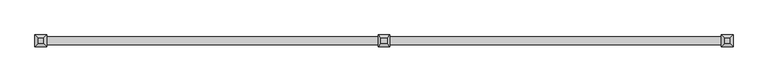
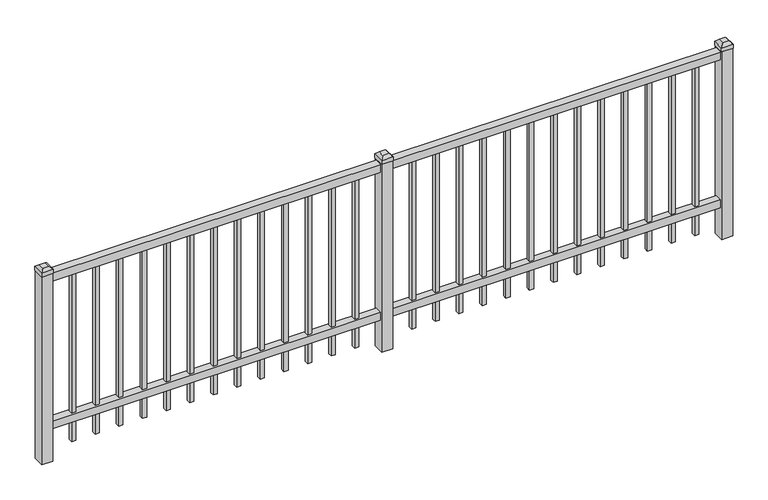
"""IFC4 building model written with IfcOpenShell, lengths in millimetres: railing geometry."""

import ifcopenshell
import ifcopenshell.guid

model = None  # the IFC model being written
_history = None  # IfcOwnerHistory: only IFC2X3 demands one
_inside = {}  # id of a spatial element -> (the spatial element, [elements in it])
_under = {}  # id of a project, library or spatial element -> (it, [spatial elements below it])
_declared = {}  # id of a project -> (the project, [libraries it declares])
_typed = {}  # id of a type object -> (the type object, [elements of that type])
_made_of = {}  # id of a material, layer set ... -> (it, [elements and type objects made of it])


def new_model(schema):
    """Start an empty IFC model of exactly this schema.

    Asked for "IFC4X3", IfcOpenShell would pick the latest addendum, in which some entities
    have other attributes; the version numbers below select the first issue.
    IFC2X3 requires an IfcOwnerHistory on every rooted entity: one is made here for all.
    """
    global model, _history
    if schema == "IFC4X3":
        model = ifcopenshell.file(schema_version=(4, 3, 0, 0))
    else:
        model = ifcopenshell.file(schema=schema)
    _inside.clear()
    _under.clear()
    _declared.clear()
    _typed.clear()
    _made_of.clear()
    _history = None
    if model.schema == "IFC2X3":
        org = make("IfcOrganization", Name="unknown")
        user = make(
            "IfcPersonAndOrganization",
            ThePerson=make("IfcPerson", FamilyName="unknown"),
            TheOrganization=org,
        )
        app = make(
            "IfcApplication",
            ApplicationDeveloper=org,
            Version="unknown",
            ApplicationFullName="unknown",
            ApplicationIdentifier="unknown",
        )
        _history = make(
            "IfcOwnerHistory",
            OwningUser=user,
            OwningApplication=app,
            ChangeAction="ADDED",
            CreationDate=0,
        )
    return model


def make(cls, **values):
    """One entity of the class cls with the attributes given. An attribute that is None is left unset."""
    return model.create_entity(
        cls, **{name: value for name, value in values.items() if value is not None}
    )


def rooted(cls, **values):
    """An entity with a GlobalId (a new one), such as an element, a storey or a relation."""
    return make(cls, GlobalId=ifcopenshell.guid.new(), OwnerHistory=_history, **values)


def si_unit(unit_type, name, prefix=None):
    """IfcSIUnit, for example si_unit("LENGTHUNIT", "METRE", prefix="MILLI")."""
    return make("IfcSIUnit", UnitType=unit_type, Prefix=prefix, Name=name)


def assignment(units):
    """IfcUnitAssignment: the units of a project."""
    return None if units is None else make("IfcUnitAssignment", Units=units)


def point(xyz):
    """IfcCartesianPoint."""
    return None if xyz is None else make("IfcCartesianPoint", Coordinates=xyz)


def direction(xyz):
    """IfcDirection."""
    return None if xyz is None else make("IfcDirection", DirectionRatios=xyz)


def frame(location, z_axis=None, x_axis=None):
    """IfcAxis2Placement3D, a coordinate frame: its origin and axes. An axis left out is left unset."""
    return make(
        "IfcAxis2Placement3D",
        Location=point(location),
        Axis=direction(z_axis),
        RefDirection=direction(x_axis),
    )


def origin():
    """The frame at (0, 0, 0) with its axes left unset."""
    return frame((0.0, 0.0, 0.0))


def place(relative_to, where):
    """IfcLocalPlacement: puts the frame where relative to a parent placement (None: the world)."""
    return make(
        "IfcLocalPlacement", PlacementRelTo=relative_to, RelativePlacement=where
    )


def context(
    kind, dimensions, precision=None, world=None, true_north=None, identifier=None
):
    """IfcGeometricRepresentationContext, for example the 3D "Model" context."""
    return make(
        "IfcGeometricRepresentationContext",
        ContextIdentifier=identifier,
        ContextType=kind,
        CoordinateSpaceDimension=dimensions,
        Precision=precision,
        WorldCoordinateSystem=world,
        TrueNorth=true_north,
    )


def project(units=None, contexts=None):
    """IfcProject with its units and contexts."""
    return rooted(
        "IfcProject",
        Name="project",
        RepresentationContexts=contexts,
        UnitsInContext=assignment(units),
    )


def spatial(cls, under=None, at=None, **own):
    """A site, building, storey or space (cls), placed at a placement, below another one or the project."""
    s = rooted(cls, ObjectPlacement=at, **own)
    if under is not None:
        _under.setdefault(under.id(), (under, []))[1].append(s)
    return s


def polyline(points):
    """IfcPolyline through the points."""
    return make("IfcPolyline", Points=[point(p) for p in points])


def outline(outer, holes=None, kind="AREA"):
    """IfcArbitraryClosedProfileDef: a profile drawn as a closed curve; with holes, ...WithVoids."""
    if holes is None:
        return make("IfcArbitraryClosedProfileDef", ProfileType=kind, OuterCurve=outer)
    return make(
        "IfcArbitraryProfileDefWithVoids",
        ProfileType=kind,
        OuterCurve=outer,
        InnerCurves=holes,
    )


def extrude(swept, where, along, depth):
    """IfcExtrudedAreaSolid: the profile swept, set in the frame where, extruded along a direction by depth."""
    return make(
        "IfcExtrudedAreaSolid",
        SweptArea=swept,
        Position=where,
        ExtrudedDirection=direction(along),
        Depth=depth,
    )


def faces_of(points, faces, orient=None, outer=None):
    """IfcFace entities. A face is a list of loops; a loop is a list of indices into points, from 0.

    orient and outer hold one flag for each loop. By default every Orientation is true, the
    first loop of a face is its IfcFaceOuterBound and the others are IfcFaceBound.
    """
    made = []
    for i, loops in enumerate(faces):
        bounds = []
        for j, loop in enumerate(loops):
            is_outer = j == 0 if outer is None else outer[i][j]
            bounds.append(
                make(
                    "IfcFaceOuterBound" if is_outer else "IfcFaceBound",
                    Bound=make("IfcPolyLoop", Polygon=[points[k] for k in loop]),
                    Orientation=True if orient is None else orient[i][j],
                )
            )
        made.append(make("IfcFace", Bounds=bounds))
    return made


def faceted_brep(points, faces, orient=None, outer=None, voids=None):
    """IfcFacetedBrep: a solid bounded by flat faces; with voids (closed shells), ...WithVoids."""
    shared = [point(p) for p in points]
    hull = make("IfcClosedShell", CfsFaces=faces_of(shared, faces, orient, outer))
    if voids is None:
        return make("IfcFacetedBrep", Outer=hull)
    return make(
        "IfcFacetedBrepWithVoids",
        Outer=hull,
        Voids=[
            make(cls, CfsFaces=faces_of(shared, fs, o, b)) for cls, fs, o, b in voids
        ],
    )


def shape(context_of_items, identifier, shape_type, items):
    """IfcShapeRepresentation: the items that make up one representation, for example the "Body"."""
    return make(
        "IfcShapeRepresentation",
        ContextOfItems=context_of_items,
        RepresentationIdentifier=identifier,
        RepresentationType=shape_type,
        Items=items,
    )


def source(mapping_origin, context_of_items, identifier, shape_type, items):
    """IfcRepresentationMap: a shape defined once, which mapped items show again and again."""
    return make(
        "IfcRepresentationMap",
        MappingOrigin=mapping_origin,
        MappedRepresentation=shape(context_of_items, identifier, shape_type, items),
    )


def transform(
    local_origin,
    x_axis=None,
    y_axis=None,
    z_axis=None,
    scale=None,
    scale2=None,
    scale3=None,
    uniform=True,
):
    """IfcCartesianTransformationOperator3D, or its non-uniform kind. x_axis, y_axis, z_axis: its Axis1, 2, 3."""
    if uniform:
        return make(
            "IfcCartesianTransformationOperator3D",
            Axis1=direction(x_axis),
            Axis2=direction(y_axis),
            LocalOrigin=point(local_origin),
            Scale=scale,
            Axis3=direction(z_axis),
        )
    return make(
        "IfcCartesianTransformationOperator3DnonUniform",
        Axis1=direction(x_axis),
        Axis2=direction(y_axis),
        LocalOrigin=point(local_origin),
        Scale=scale,
        Axis3=direction(z_axis),
        Scale2=scale2,
        Scale3=scale3,
    )


def mapped(mapping_source, mapping_target):
    """IfcMappedItem: shows the shape of a source again, moved by a transform."""
    return make(
        "IfcMappedItem", MappingSource=mapping_source, MappingTarget=mapping_target
    )


def made_of(thing, what):
    """Note that an element or type object is made of a material, layer set ...; save() writes the relation."""
    if what is not None:
        _made_of.setdefault(what.id(), (what, []))[1].append(thing)
    return thing


def element(
    cls,
    number,
    at=None,
    inside=None,
    cuts=None,
    type_object=None,
    material=None,
    context=None,
    identifier="Body",
    shape_type=None,
    held_by="IfcProductDefinitionShape",
    body=None,
    shapes=None,
    **own,
):
    """One element of the class cls, such as IfcWall. Its Tag is "e" and its number.

    at: its placement. inside: the storey or other place that contains it. cuts: it is an
    opening in that element (IfcRelVoidsElement). A single representation is given by context,
    identifier, shape_type and body (its items); several are given by shapes. held_by: the class
    of the entity that holds the representations. save() writes the other relations.
    """
    e = rooted(cls, Tag="e%d" % number, ObjectPlacement=at, **own)
    if body is not None:
        shapes = [shape(context, identifier, shape_type, body)]
    if shapes is not None:
        e.Representation = make(held_by, Representations=shapes)
    if inside is not None:
        _inside.setdefault(inside.id(), (inside, []))[1].append(e)
    if cuts is not None:
        rooted(
            "IfcRelVoidsElement", RelatingBuildingElement=cuts, RelatedOpeningElement=e
        )
    if type_object is not None:
        _typed.setdefault(type_object.id(), (type_object, []))[1].append(e)
    return made_of(e, material)


def aggregate(whole, parts):
    """IfcRelAggregates: a whole, such as a stair, and the parts it consists of."""
    return rooted("IfcRelAggregates", RelatingObject=whole, RelatedObjects=parts)


def save(model, path):
    """Write the relations noted so far, then the file.

    IfcRelAggregates (storeys below a building ...), IfcRelContainedInSpatialStructure (elements
    in a storey), IfcRelDefinesByType, IfcRelAssociatesMaterial and IfcRelDeclares: one each for
    every whole, place, type object, material and project.
    """
    for whole, parts in _under.values():
        aggregate(whole, parts)
    for where, things in _inside.values():
        rooted(
            "IfcRelContainedInSpatialStructure",
            RelatedElements=things,
            RelatingStructure=where,
        )
    for kind, things in _typed.values():
        rooted("IfcRelDefinesByType", RelatedObjects=things, RelatingType=kind)
    for what, things in _made_of.values():
        rooted("IfcRelAssociatesMaterial", RelatedObjects=things, RelatingMaterial=what)
    for by, libraries in _declared.values():
        rooted("IfcRelDeclares", RelatingContext=by, RelatedDefinitions=libraries)
    model.write(path)


def railing_45aa5f10(model_context):
    return source(origin(), model_context, "Body", "SolidModel", [
        extrude(outline(polyline([(-9790.0050134, 7020.1574518), (-9790.0050134, 7055.0824518), (-6640.4050134, 7055.0824518), (-6640.4050134, 7020.1574518), (-9790.0050134, 7020.1574518)])), frame((0.0, 0.0, 13068.3), z_axis=(0.0, 0.0, 1.0), x_axis=(1.0, 0.0, 0.0)), (0.0, 0.0, 1.0), 38.1),
        extrude(outline(polyline([(-9790.0050134, 7020.1574518), (-9790.0050134, 7055.0824518), (-6640.4050134, 7055.0824518), (-6640.4050134, 7020.1574518), (-9790.0050134, 7020.1574518)])), frame((0.0, 0.0, 12344.4), z_axis=(0.0, 0.0, 1.0), x_axis=(1.0, 0.0, 0.0)), (0.0, 0.0, 1.0), 38.1),
        extrude(outline(polyline([(-6871.91543, 7047.1449518), (-6871.91543, 7028.0949518), (-6890.96543, 7028.0949518), (-6890.96543, 7047.1449518), (-6871.91543, 7047.1449518)])), frame((0.0, 0.0, 12242.8), z_axis=(0.0, 0.0, 1.0), x_axis=(1.0, 0.0, 0.0)), (0.0, 0.0, 1.0), 825.5),
        extrude(outline(polyline([(-6981.1883467, 7047.1449518), (-6981.1883467, 7028.0949518), (-7000.2383467, 7028.0949518), (-7000.2383467, 7047.1449518), (-6981.1883467, 7047.1449518)])), frame((0.0, 0.0, 12242.8), z_axis=(0.0, 0.0, 1.0), x_axis=(1.0, 0.0, 0.0)), (0.0, 0.0, 1.0), 825.5),
        extrude(outline(polyline([(-7090.4612634, 7047.1449518), (-7090.4612634, 7028.0949518), (-7109.5112634, 7028.0949518), (-7109.5112634, 7047.1449518), (-7090.4612634, 7047.1449518)])), frame((0.0, 0.0, 12242.8), z_axis=(0.0, 0.0, 1.0), x_axis=(1.0, 0.0, 0.0)), (0.0, 0.0, 1.0), 825.5),
        extrude(outline(polyline([(-7199.73418, 7047.1449518), (-7199.73418, 7028.0949518), (-7218.78418, 7028.0949518), (-7218.78418, 7047.1449518), (-7199.73418, 7047.1449518)])), frame((0.0, 0.0, 12242.8), z_axis=(0.0, 0.0, 1.0), x_axis=(1.0, 0.0, 0.0)), (0.0, 0.0, 1.0), 825.5),
        extrude(outline(polyline([(-7309.0070967, 7047.1449518), (-7309.0070967, 7028.0949518), (-7328.0570967, 7028.0949518), (-7328.0570967, 7047.1449518), (-7309.0070967, 7047.1449518)])), frame((0.0, 0.0, 12242.8), z_axis=(0.0, 0.0, 1.0), x_axis=(1.0, 0.0, 0.0)), (0.0, 0.0, 1.0), 825.5),
        extrude(outline(polyline([(-7418.2800134, 7047.1449518), (-7418.2800134, 7028.0949518), (-7437.3300134, 7028.0949518), (-7437.3300134, 7047.1449518), (-7418.2800134, 7047.1449518)])), frame((0.0, 0.0, 12242.8), z_axis=(0.0, 0.0, 1.0), x_axis=(1.0, 0.0, 0.0)), (0.0, 0.0, 1.0), 825.5),
        extrude(outline(polyline([(-7527.55293, 7047.1449518), (-7527.55293, 7028.0949518), (-7546.60293, 7028.0949518), (-7546.60293, 7047.1449518), (-7527.55293, 7047.1449518)])), frame((0.0, 0.0, 12242.8), z_axis=(0.0, 0.0, 1.0), x_axis=(1.0, 0.0, 0.0)), (0.0, 0.0, 1.0), 825.5),
        extrude(outline(polyline([(-7636.8258467, 7047.1449518), (-7636.8258467, 7028.0949518), (-7655.8758467, 7028.0949518), (-7655.8758467, 7047.1449518), (-7636.8258467, 7047.1449518)])), frame((0.0, 0.0, 12242.8), z_axis=(0.0, 0.0, 1.0), x_axis=(1.0, 0.0, 0.0)), (0.0, 0.0, 1.0), 825.5),
        extrude(outline(polyline([(-7746.0987634, 7047.1449518), (-7746.0987634, 7028.0949518), (-7765.1487634, 7028.0949518), (-7765.1487634, 7047.1449518), (-7746.0987634, 7047.1449518)])), frame((0.0, 0.0, 12242.8), z_axis=(0.0, 0.0, 1.0), x_axis=(1.0, 0.0, 0.0)), (0.0, 0.0, 1.0), 825.5),
        extrude(outline(polyline([(-7855.37168, 7047.1449518), (-7855.37168, 7028.0949518), (-7874.42168, 7028.0949518), (-7874.42168, 7047.1449518), (-7855.37168, 7047.1449518)])), frame((0.0, 0.0, 12242.8), z_axis=(0.0, 0.0, 1.0), x_axis=(1.0, 0.0, 0.0)), (0.0, 0.0, 1.0), 825.5),
        extrude(outline(polyline([(-7964.6445967, 7047.1449518), (-7964.6445967, 7028.0949518), (-7983.6945967, 7028.0949518), (-7983.6945967, 7047.1449518), (-7964.6445967, 7047.1449518)])), frame((0.0, 0.0, 12242.8), z_axis=(0.0, 0.0, 1.0), x_axis=(1.0, 0.0, 0.0)), (0.0, 0.0, 1.0), 825.5),
        extrude(outline(polyline([(-6762.6425134, 7047.1449518), (-6762.6425134, 7028.0949518), (-6781.6925134, 7028.0949518), (-6781.6925134, 7047.1449518), (-6762.6425134, 7047.1449518)])), frame((0.0, 0.0, 12242.8), z_axis=(0.0, 0.0, 1.0), x_axis=(1.0, 0.0, 0.0)), (0.0, 0.0, 1.0), 825.5),
        extrude(outline(polyline([(-8073.9175134, 7047.1449518), (-8073.9175134, 7028.0949518), (-8092.9675134, 7028.0949518), (-8092.9675134, 7047.1449518), (-8073.9175134, 7047.1449518)])), frame((0.0, 0.0, 12242.8), z_axis=(0.0, 0.0, 1.0), x_axis=(1.0, 0.0, 0.0)), (0.0, 0.0, 1.0), 825.5),
        faceted_brep([(-8242.1925134, 7064.6074518, 13131.8), (-8242.1925134, 7064.6074518, 13112.75), (-8242.1925134, 7010.6324518, 13112.75), (-8242.1925134, 7010.6324518, 13131.8), (-8229.4925134, 7051.9074518, 13144.5), (-8229.4925134, 7023.3324518, 13144.5), (-8188.2175134, 7010.6324518, 13112.75), (-8188.2175134, 7010.6324518, 13131.8), (-8200.9175134, 7023.3324518, 13144.5), (-8188.2175134, 7064.6074518, 13112.75), (-8188.2175134, 7064.6074518, 13131.8), (-8200.9175134, 7051.9074518, 13144.5)], [[[0, 1, 2, 3]], [[4, 0, 3, 5]], [[3, 2, 6, 7]], [[5, 3, 7, 8]], [[7, 6, 9, 10]], [[8, 7, 10, 11]], [[10, 9, 1, 0]], [[11, 10, 0, 4]], [[5, 8, 11, 4]], [[1, 9, 6, 2]]]),
        extrude(outline(polyline([(-8189.8050134, 7063.0199518), (-8189.8050134, 7012.2199518), (-8240.6050134, 7012.2199518), (-8240.6050134, 7063.0199518), (-8189.8050134, 7063.0199518)])), frame((0.0, 0.0, 12192.0), z_axis=(0.0, 0.0, 1.0), x_axis=(1.0, 0.0, 0.0)), (0.0, 0.0, 1.0), 920.75),
        extrude(outline(polyline([(-8446.71543, 7047.1449518), (-8446.71543, 7028.0949518), (-8465.76543, 7028.0949518), (-8465.76543, 7047.1449518), (-8446.71543, 7047.1449518)])), frame((0.0, 0.0, 12242.8), z_axis=(0.0, 0.0, 1.0), x_axis=(1.0, 0.0, 0.0)), (0.0, 0.0, 1.0), 825.5),
        extrude(outline(polyline([(-8555.9883467, 7047.1449518), (-8555.9883467, 7028.0949518), (-8575.0383467, 7028.0949518), (-8575.0383467, 7047.1449518), (-8555.9883467, 7047.1449518)])), frame((0.0, 0.0, 12242.8), z_axis=(0.0, 0.0, 1.0), x_axis=(1.0, 0.0, 0.0)), (0.0, 0.0, 1.0), 825.5),
        extrude(outline(polyline([(-8665.2612634, 7047.1449518), (-8665.2612634, 7028.0949518), (-8684.3112634, 7028.0949518), (-8684.3112634, 7047.1449518), (-8665.2612634, 7047.1449518)])), frame((0.0, 0.0, 12242.8), z_axis=(0.0, 0.0, 1.0), x_axis=(1.0, 0.0, 0.0)), (0.0, 0.0, 1.0), 825.5),
        extrude(outline(polyline([(-8774.53418, 7047.1449518), (-8774.53418, 7028.0949518), (-8793.58418, 7028.0949518), (-8793.58418, 7047.1449518), (-8774.53418, 7047.1449518)])), frame((0.0, 0.0, 12242.8), z_axis=(0.0, 0.0, 1.0), x_axis=(1.0, 0.0, 0.0)), (0.0, 0.0, 1.0), 825.5),
        extrude(outline(polyline([(-8883.8070967, 7047.1449518), (-8883.8070967, 7028.0949518), (-8902.8570967, 7028.0949518), (-8902.8570967, 7047.1449518), (-8883.8070967, 7047.1449518)])), frame((0.0, 0.0, 12242.8), z_axis=(0.0, 0.0, 1.0), x_axis=(1.0, 0.0, 0.0)), (0.0, 0.0, 1.0), 825.5),
        extrude(outline(polyline([(-8993.0800134, 7047.1449518), (-8993.0800134, 7028.0949518), (-9012.1300134, 7028.0949518), (-9012.1300134, 7047.1449518), (-8993.0800134, 7047.1449518)])), frame((0.0, 0.0, 12242.8), z_axis=(0.0, 0.0, 1.0), x_axis=(1.0, 0.0, 0.0)), (0.0, 0.0, 1.0), 825.5),
        extrude(outline(polyline([(-9102.35293, 7047.1449518), (-9102.35293, 7028.0949518), (-9121.40293, 7028.0949518), (-9121.40293, 7047.1449518), (-9102.35293, 7047.1449518)])), frame((0.0, 0.0, 12242.8), z_axis=(0.0, 0.0, 1.0), x_axis=(1.0, 0.0, 0.0)), (0.0, 0.0, 1.0), 825.5),
        extrude(outline(polyline([(-9211.6258467, 7047.1449518), (-9211.6258467, 7028.0949518), (-9230.6758467, 7028.0949518), (-9230.6758467, 7047.1449518), (-9211.6258467, 7047.1449518)])), frame((0.0, 0.0, 12242.8), z_axis=(0.0, 0.0, 1.0), x_axis=(1.0, 0.0, 0.0)), (0.0, 0.0, 1.0), 825.5),
        extrude(outline(polyline([(-9320.8987634, 7047.1449518), (-9320.8987634, 7028.0949518), (-9339.9487634, 7028.0949518), (-9339.9487634, 7047.1449518), (-9320.8987634, 7047.1449518)])), frame((0.0, 0.0, 12242.8), z_axis=(0.0, 0.0, 1.0), x_axis=(1.0, 0.0, 0.0)), (0.0, 0.0, 1.0), 825.5),
        extrude(outline(polyline([(-9430.17168, 7047.1449518), (-9430.17168, 7028.0949518), (-9449.22168, 7028.0949518), (-9449.22168, 7047.1449518), (-9430.17168, 7047.1449518)])), frame((0.0, 0.0, 12242.8), z_axis=(0.0, 0.0, 1.0), x_axis=(1.0, 0.0, 0.0)), (0.0, 0.0, 1.0), 825.5),
        extrude(outline(polyline([(-9539.4445967, 7047.1449518), (-9539.4445967, 7028.0949518), (-9558.4945967, 7028.0949518), (-9558.4945967, 7047.1449518), (-9539.4445967, 7047.1449518)])), frame((0.0, 0.0, 12242.8), z_axis=(0.0, 0.0, 1.0), x_axis=(1.0, 0.0, 0.0)), (0.0, 0.0, 1.0), 825.5),
        extrude(outline(polyline([(-8337.4425134, 7047.1449518), (-8337.4425134, 7028.0949518), (-8356.4925134, 7028.0949518), (-8356.4925134, 7047.1449518), (-8337.4425134, 7047.1449518)])), frame((0.0, 0.0, 12242.8), z_axis=(0.0, 0.0, 1.0), x_axis=(1.0, 0.0, 0.0)), (0.0, 0.0, 1.0), 825.5),
        extrude(outline(polyline([(-9648.7175134, 7047.1449518), (-9648.7175134, 7028.0949518), (-9667.7675134, 7028.0949518), (-9667.7675134, 7047.1449518), (-9648.7175134, 7047.1449518)])), frame((0.0, 0.0, 12242.8), z_axis=(0.0, 0.0, 1.0), x_axis=(1.0, 0.0, 0.0)), (0.0, 0.0, 1.0), 825.5),
        faceted_brep([(-6667.3925134, 7064.6074518, 13131.8), (-6667.3925134, 7064.6074518, 13112.75), (-6667.3925134, 7010.6324518, 13112.75), (-6667.3925134, 7010.6324518, 13131.8), (-6654.6925134, 7051.9074518, 13144.5), (-6654.6925134, 7023.3324518, 13144.5), (-6613.4175134, 7010.6324518, 13112.75), (-6613.4175134, 7010.6324518, 13131.8), (-6626.1175134, 7023.3324518, 13144.5), (-6613.4175134, 7064.6074518, 13112.75), (-6613.4175134, 7064.6074518, 13131.8), (-6626.1175134, 7051.9074518, 13144.5)], [[[0, 1, 2, 3]], [[4, 0, 3, 5]], [[3, 2, 6, 7]], [[5, 3, 7, 8]], [[7, 6, 9, 10]], [[8, 7, 10, 11]], [[10, 9, 1, 0]], [[11, 10, 0, 4]], [[5, 8, 11, 4]], [[1, 9, 6, 2]]]),
        extrude(outline(polyline([(-6615.0050134, 7063.0199518), (-6615.0050134, 7012.2199518), (-6665.8050134, 7012.2199518), (-6665.8050134, 7063.0199518), (-6615.0050134, 7063.0199518)])), frame((0.0, 0.0, 12192.0), z_axis=(0.0, 0.0, 1.0), x_axis=(1.0, 0.0, 0.0)), (0.0, 0.0, 1.0), 920.75),
        faceted_brep([(-9816.9925134, 7064.6074518, 13131.8), (-9816.9925134, 7064.6074518, 13112.75), (-9816.9925134, 7010.6324518, 13112.75), (-9816.9925134, 7010.6324518, 13131.8), (-9804.2925134, 7051.9074518, 13144.5), (-9804.2925134, 7023.3324518, 13144.5), (-9763.0175134, 7010.6324518, 13112.75), (-9763.0175134, 7010.6324518, 13131.8), (-9775.7175134, 7023.3324518, 13144.5), (-9763.0175134, 7064.6074518, 13112.75), (-9763.0175134, 7064.6074518, 13131.8), (-9775.7175134, 7051.9074518, 13144.5)], [[[0, 1, 2, 3]], [[4, 0, 3, 5]], [[3, 2, 6, 7]], [[5, 3, 7, 8]], [[7, 6, 9, 10]], [[8, 7, 10, 11]], [[10, 9, 1, 0]], [[11, 10, 0, 4]], [[5, 8, 11, 4]], [[1, 9, 6, 2]]]),
        extrude(outline(polyline([(-9764.6050134, 7063.0199518), (-9764.6050134, 7012.2199518), (-9815.4050134, 7012.2199518), (-9815.4050134, 7063.0199518), (-9764.6050134, 7063.0199518)])), frame((0.0, 0.0, 12192.0), z_axis=(0.0, 0.0, 1.0), x_axis=(1.0, 0.0, 0.0)), (0.0, 0.0, 1.0), 920.75),
    ])


if __name__ == "__main__":
    model = new_model("IFC4")
    model_context = context("Model", 3, world=origin())
    ifc_project = project(units=[si_unit("LENGTHUNIT", "METRE", prefix="MILLI")], contexts=[model_context])
    site = spatial("IfcSite", under=ifc_project)
    building = spatial("IfcBuilding", under=site)
    placement = place(None, origin())
    railing_shape = railing_45aa5f10(model_context)
    element("IfcRailing", 1, at=placement, inside=building, context=model_context, shape_type="MappedRepresentation", body=[
        mapped(railing_shape, transform((0.0, 0.0, 0.0), x_axis=(1.0, 0.0, 0.0), y_axis=(0.0, 1.0, 0.0), z_axis=(0.0, 0.0, 1.0))),
    ])
    save(model, "model.ifc")
